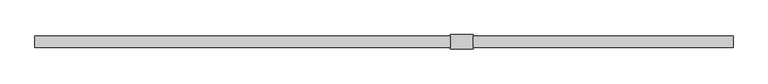
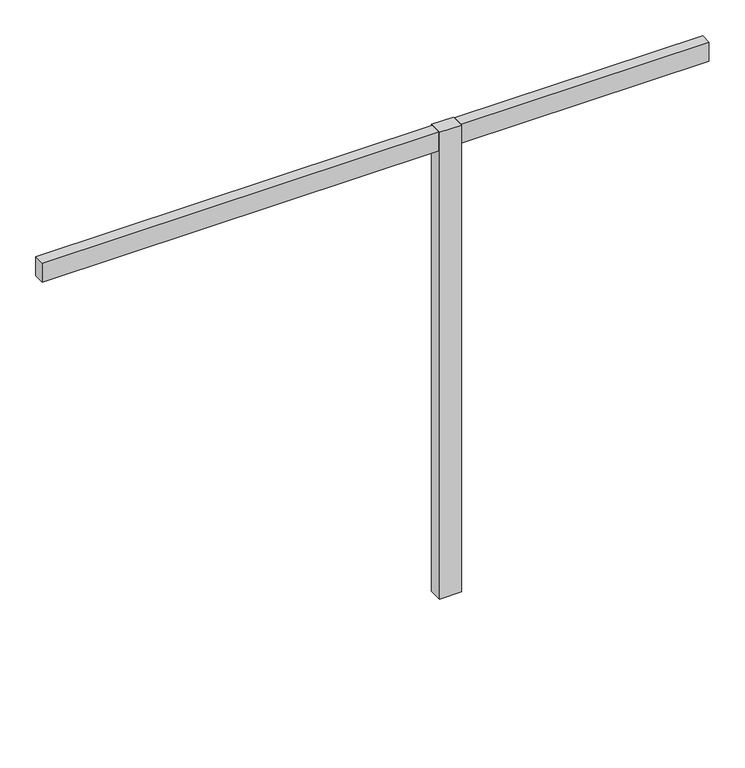
"""IFC4 building model written with IfcOpenShell, lengths in millimetres: furniture geometry."""

from ifc_helpers import new_model, si_unit, frame, origin, place, context, project, spatial, polyline, circle_curve, outline, extrude, source, transform, mapped, element, save
from ifc_brep_helpers import plane_surface, cylinder_surface, revolved_surface, advanced_brep


def furniture_604c887a(model_context):
    return source(origin(), model_context, "Body", "SolidModel", [
        extrude(outline(polyline([(0.0, -25.4), (0.0, 25.4), (1828.8, 25.4), (1828.8, -25.4), (0.0, -25.4)])), frame((0.0, 0.0, 2193.163), z_axis=(0.0, 0.0, 1.0), x_axis=(1.0, 0.0, 0.0)), (0.0, 0.0, 1.0), 92.71),
        extrude(outline(polyline([(3074.7208, 25.4), (3074.7208, -25.4), (1930.4, -25.4), (1930.4, 25.4), (3074.7208, 25.4)])), frame((0.0, 0.0, 2193.163), z_axis=(0.0, 0.0, 1.0), x_axis=(1.0, 0.0, 0.0)), (0.0, 0.0, 1.0), 92.71),
        advanced_brep(
        [(1874.68608, 0.0, 12.2513995), (1888.1007166, 0.0, 12.2513995), (1888.1007166, 0.0, 8.6192084), (1874.68608, 0.0, 8.6192084), (1881.3933983, 0.0, 12.2513995), (1877.4977328, 0.0, 0.1343169), (1885.2890638, 0.0, 0.1343169), (1881.3933983, 0.0, 0.1343169), (1872.7954934, 0.0, 0.5457096), (1889.9913032, 0.0, 0.5457096), (1870.863095, 0.0, 1.6168555), (1891.9237016, 0.0, 1.6168555), (1870.1442797, 0.0, 3.5917842), (1892.6425168, 0.0, 3.5917842), (1870.1442797, 0.0, 5.5815918), (1892.6425168, 0.0, 5.5815918), (1870.5049588, 0.0, 6.9276644), (1892.2818378, 0.0, 6.9276644), (1871.5315909, 0.0, 7.9542964), (1891.2552057, 0.0, 7.9542964), (1873.1773058, 0.0, 8.6192084), (1889.6094908, 0.0, 8.6192084)],
        [
            (0, 1, circle_curve(frame((1881.3933983, 0.0, 12.2513995), z_axis=(0.0, 0.0, -1.0), x_axis=(1.0, 0.0, 0.0)), 6.7073183)),
            (1, 2),
            (2, 3, circle_curve(frame((1881.3933983, 0.0, 8.6192084), z_axis=(0.0, 0.0, 1.0), x_axis=(1.0, 0.0, 0.0)), 6.7073183)),
            (3, 0),
            (1, 0, circle_curve(frame((1881.3933983, 0.0, 12.2513995), z_axis=(0.0, 0.0, -1.0), x_axis=(1.0, 0.0, 0.0)), 6.7073183)),
            (3, 2, circle_curve(frame((1881.3933983, 0.0, 8.6192084), z_axis=(0.0, 0.0, 1.0), x_axis=(1.0, 0.0, 0.0)), 6.7073183)),
            (4, 1),
            (0, 4),
            (5, 6, circle_curve(frame((1881.3933983, 0.0, 0.1343169), z_axis=(0.0, 0.0, -1.0), x_axis=(1.0, 0.0, 0.0)), 3.8956655)),
            (6, 7),
            (7, 5),
            (6, 5, circle_curve(frame((1881.3933983, 0.0, 0.1343169), z_axis=(0.0, 0.0, -1.0), x_axis=(1.0, 0.0, 0.0)), 3.8956655)),
            (8, 9, circle_curve(frame((1881.3933983, 0.0, 0.5457096), z_axis=(0.0, 0.0, -1.0), x_axis=(1.0, 0.0, 0.0)), 8.5979049)),
            (9, 6),
            (5, 8),
            (9, 8, circle_curve(frame((1881.3933983, 0.0, 0.5457096), z_axis=(0.0, 0.0, -1.0), x_axis=(1.0, 0.0, 0.0)), 8.5979049)),
            (10, 11, circle_curve(frame((1881.3933983, 0.0, 1.6168555), z_axis=(0.0, 0.0, -1.0), x_axis=(1.0, 0.0, 0.0)), 10.5303033)),
            (11, 9),
            (8, 10),
            (11, 10, circle_curve(frame((1881.3933983, 0.0, 1.6168555), z_axis=(0.0, 0.0, -1.0), x_axis=(1.0, 0.0, 0.0)), 10.5303033)),
            (12, 13, circle_curve(frame((1881.3933983, 0.0, 3.5917842), z_axis=(0.0, 0.0, -1.0), x_axis=(1.0, 0.0, 0.0)), 11.2491185)),
            (13, 11),
            (10, 12),
            (13, 12, circle_curve(frame((1881.3933983, 0.0, 3.5917842), z_axis=(0.0, 0.0, -1.0), x_axis=(1.0, 0.0, 0.0)), 11.2491185)),
            (14, 15, circle_curve(frame((1881.3933983, 0.0, 5.5815918), z_axis=(0.0, 0.0, -1.0), x_axis=(1.0, 0.0, 0.0)), 11.2491185)),
            (15, 13),
            (12, 14),
            (15, 14, circle_curve(frame((1881.3933983, 0.0, 5.5815918), z_axis=(0.0, 0.0, -1.0), x_axis=(1.0, 0.0, 0.0)), 11.2491185)),
            (16, 17, circle_curve(frame((1881.3933983, 0.0, 6.9276644), z_axis=(0.0, 0.0, -1.0), x_axis=(1.0, 0.0, 0.0)), 10.8884395)),
            (17, 15),
            (14, 16),
            (17, 16, circle_curve(frame((1881.3933983, 0.0, 6.9276644), z_axis=(0.0, 0.0, -1.0), x_axis=(1.0, 0.0, 0.0)), 10.8884395)),
            (18, 19, circle_curve(frame((1881.3933983, 0.0, 7.9542964), z_axis=(0.0, 0.0, -1.0), x_axis=(1.0, 0.0, 0.0)), 9.8618074)),
            (19, 17),
            (16, 18),
            (19, 18, circle_curve(frame((1881.3933983, 0.0, 7.9542964), z_axis=(0.0, 0.0, -1.0), x_axis=(1.0, 0.0, 0.0)), 9.8618074)),
            (20, 21, circle_curve(frame((1881.3933983, 0.0, 8.6192084), z_axis=(0.0, 0.0, -1.0), x_axis=(1.0, 0.0, 0.0)), 8.2160925)),
            (21, 19),
            (18, 20),
            (21, 20, circle_curve(frame((1881.3933983, 0.0, 8.6192084), z_axis=(0.0, 0.0, -1.0), x_axis=(1.0, 0.0, 0.0)), 8.2160925)),
            (2, 21),
            (20, 3),
        ],
        [
            cylinder_surface(frame((1881.3933983, 0.0, 12.9264669), z_axis=(0.0, 0.0, 1.0), x_axis=(1.0, 0.0, 0.0)), 6.7073183),
            plane_surface(frame((1881.3933983, 0.0, 12.2513995), z_axis=(0.0, 0.0, 1.0), x_axis=(1.0, 0.0, 0.0))),
            plane_surface(frame((1881.3933983, 0.0, 0.1343169), z_axis=(0.0, 0.0, -1.0), x_axis=(1.0, 0.0, 0.0))),
            revolved_surface(polyline([(1885.2890638, 0.0, 0.1343169), (1889.9913032, 0.0, 0.5457096)]), (1881.3933983, 0.0, 12.9264669), (0.0, 0.0, 1.0)),
            revolved_surface(polyline([(1889.9913032, 0.0, 0.5457096), (1891.9237016, 0.0, 1.6168555)]), (1881.3933983, 0.0, 12.9264669), (0.0, 0.0, 1.0)),
            revolved_surface(polyline([(1891.9237016, 0.0, 1.6168555), (1892.6425168, 0.0, 3.5917842)]), (1881.3933983, 0.0, 12.9264669), (0.0, 0.0, 1.0)),
            cylinder_surface(frame((1881.3933983, 0.0, 12.9264669), z_axis=(0.0, 0.0, 1.0), x_axis=(1.0, 0.0, 0.0)), 11.2491185),
            revolved_surface(polyline([(1892.6425168, 0.0, 5.5815918), (1892.2818378, 0.0, 6.9276644)]), (1881.3933983, 0.0, 12.9264669), (0.0, 0.0, 1.0)),
            revolved_surface(polyline([(1892.2818378, 0.0, 6.9276644), (1891.2552057, 0.0, 7.9542964)]), (1881.3933983, 0.0, 12.9264669), (0.0, 0.0, 1.0)),
            revolved_surface(polyline([(1891.2552057, 0.0, 7.9542964), (1889.6094908, 0.0, 8.6192084)]), (1881.3933983, 0.0, 12.9264669), (0.0, 0.0, 1.0)),
            plane_surface(frame((1881.3933983, 0.0, 8.6192084), z_axis=(0.0, 0.0, 1.0), x_axis=(1.0, 0.0, 0.0))),
        ],
        [
            (0, [[1, 2, 3, 4]]),
            (0, [[5, -4, 6, -2]]),
            (1, [[7, -1, 8]]),
            (1, [[-8, -5, -7]]),
            (2, [[9, 10, 11]]),
            (2, [[12, -11, -10]]),
            (3, [[13, 14, -9, 15]]),
            (3, [[16, -15, -12, -14]]),
            (4, [[17, 18, -13, 19]]),
            (4, [[20, -19, -16, -18]]),
            (5, [[21, 22, -17, 23]]),
            (5, [[24, -23, -20, -22]]),
            (6, [[25, 26, -21, 27]]),
            (6, [[28, -27, -24, -26]]),
            (7, [[29, 30, -25, 31]]),
            (7, [[32, -31, -28, -30]]),
            (8, [[33, 34, -29, 35]]),
            (8, [[36, -35, -32, -34]]),
            (9, [[37, 38, -33, 39]]),
            (9, [[40, -39, -36, -38]]),
            (10, [[-3, 41, -37, 42]]),
            (10, [[-6, -42, -40, -41]]),
        ],
    ),
        extrude(outline(polyline([(1828.8, 31.75), (1930.4, 31.75), (1930.4, -31.75), (1828.8, -31.75), (1828.8, 31.75)])), frame((0.0, 0.0, 12.2513995), z_axis=(0.0, 0.0, 1.0), x_axis=(1.0, 0.0, 0.0)), (0.0, 0.0, 1.0), 2273.6216005),
    ])


if __name__ == "__main__":
    model = new_model("IFC4")
    model_context = context("Model", 3, world=origin())
    ifc_project = project(units=[si_unit("LENGTHUNIT", "METRE", prefix="MILLI")], contexts=[model_context])
    site = spatial("IfcSite", under=ifc_project)
    building = spatial("IfcBuilding", under=site)
    placement = place(None, origin())
    furniture_shape = furniture_604c887a(model_context)
    element("IfcFurniture", 1, at=placement, inside=building, context=model_context, shape_type="MappedRepresentation", body=[
        mapped(furniture_shape, transform((0.0, 0.0, 0.0), x_axis=(1.0, 0.0, 0.0), y_axis=(0.0, 1.0, 0.0), z_axis=(0.0, 0.0, 1.0))),
    ])
    save(model, "model.ifc")
